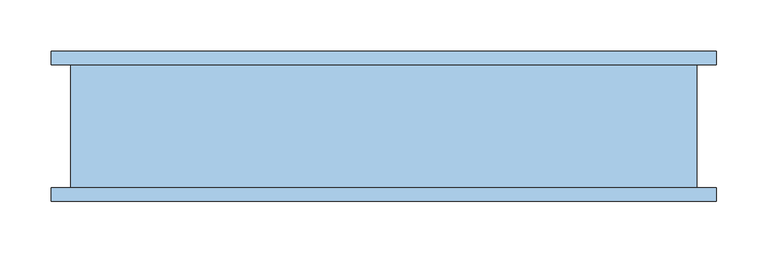
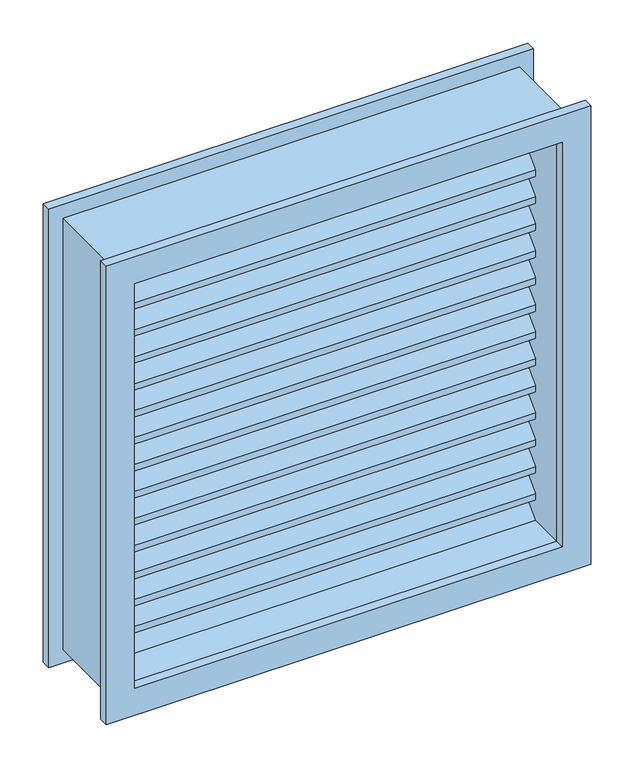
"""IFC4 building model written with IfcOpenShell, lengths in millimetres: window geometry."""

from ifc_helpers import new_model, si_unit, frame, origin, place, context, project, spatial, polyline, outline, extrude, source, transform, mapped, element, save


def window_48816124(model_context):
    return source(origin(), model_context, "Body", "SweptSolid", [
        extrude(outline(polyline([(1543.55, -323.95), (896.05, -323.95), (896.05, 323.95), (1543.55, 323.95), (1543.55, -323.95)]), holes=[polyline([(1505.55, -285.95), (1505.55, 285.95), (934.05, 285.95), (934.05, -285.95), (1505.55, -285.95)])]), frame((0.0, 53.65, 0.0), z_axis=(0.0, 1.0, 0.0), x_axis=(0.0, 0.0, 1.0)), (0.0, 0.0, 1.0), 13.0),
        extrude(outline(polyline([(1543.55, 323.95), (1543.55, -323.95), (896.05, -323.95), (896.05, 323.95), (1543.55, 323.95)]), holes=[polyline([(1505.55, 285.95), (934.05, 285.95), (934.05, -285.95), (1505.55, -285.95), (1505.55, 285.95)])]), frame((0.0, -79.35, 0.0), z_axis=(0.0, 1.0, 0.0), x_axis=(0.0, 0.0, 1.0)), (0.0, 0.0, 1.0), 13.0),
        extrude(outline(polyline([(1524.6, 305.0), (1524.6, -305.0), (915.0, -305.0), (915.0, 305.0), (1524.6, 305.0)]), holes=[polyline([(1505.55, 285.95), (934.05, 285.95), (934.05, -285.95), (1505.55, -285.95), (1505.55, 285.95)])]), frame((0.0, -66.35, 0.0), z_axis=(0.0, 1.0, 0.0), x_axis=(0.0, 0.0, 1.0)), (0.0, 0.0, 1.0), 120.0),
        extrude(outline(polyline([(17.7289755, 969.9710245), (53.65, 934.05), (44.6697439, 934.05), (17.7289755, 960.9907684), (-9.2117928, 934.05), (-18.192049, 934.05), (17.7289755, 969.9710245)])), frame((-285.95, 0.0, 0.0), z_axis=(1.0, 0.0, 0.0), x_axis=(0.0, 1.0, 0.0)), (0.0, 0.0, 1.0), 571.9),
        extrude(outline(polyline([(17.7289755, 1008.0710245), (53.65, 972.15), (53.65, 963.1697439), (17.7289755, 999.0907684), (-18.192049, 963.1697439), (-18.192049, 972.15), (17.7289755, 1008.0710245)])), frame((-285.95, 0.0, 0.0), z_axis=(1.0, 0.0, 0.0), x_axis=(0.0, 1.0, 0.0)), (0.0, 0.0, 1.0), 571.9),
        extrude(outline(polyline([(17.7289755, 1046.1710245), (53.65, 1010.25), (53.65, 1001.2697439), (17.7289755, 1037.1907684), (-18.192049, 1001.2697439), (-18.192049, 1010.25), (17.7289755, 1046.1710245)])), frame((-285.95, 0.0, 0.0), z_axis=(1.0, 0.0, 0.0), x_axis=(0.0, 1.0, 0.0)), (0.0, 0.0, 1.0), 571.9),
        extrude(outline(polyline([(17.7289755, 1084.2710245), (53.65, 1048.35), (53.65, 1039.3697439), (17.7289755, 1075.2907684), (-18.192049, 1039.3697439), (-18.192049, 1048.35), (17.7289755, 1084.2710245)])), frame((-285.95, 0.0, 0.0), z_axis=(1.0, 0.0, 0.0), x_axis=(0.0, 1.0, 0.0)), (0.0, 0.0, 1.0), 571.9),
        extrude(outline(polyline([(17.7289755, 1122.3710245), (53.65, 1086.45), (53.65, 1077.4697439), (17.7289755, 1113.3907684), (-18.192049, 1077.4697439), (-18.192049, 1086.45), (17.7289755, 1122.3710245)])), frame((-285.95, 0.0, 0.0), z_axis=(1.0, 0.0, 0.0), x_axis=(0.0, 1.0, 0.0)), (0.0, 0.0, 1.0), 571.9),
        extrude(outline(polyline([(17.7289755, 1160.4710245), (53.65, 1124.55), (53.65, 1115.5697439), (17.7289755, 1151.4907684), (-18.192049, 1115.5697439), (-18.192049, 1124.55), (17.7289755, 1160.4710245)])), frame((-285.95, 0.0, 0.0), z_axis=(1.0, 0.0, 0.0), x_axis=(0.0, 1.0, 0.0)), (0.0, 0.0, 1.0), 571.9),
        extrude(outline(polyline([(17.7289755, 1198.5710245), (53.65, 1162.65), (53.65, 1153.6697439), (17.7289755, 1189.5907684), (-18.192049, 1153.6697439), (-18.192049, 1162.65), (17.7289755, 1198.5710245)])), frame((-285.95, 0.0, 0.0), z_axis=(1.0, 0.0, 0.0), x_axis=(0.0, 1.0, 0.0)), (0.0, 0.0, 1.0), 571.9),
        extrude(outline(polyline([(17.7289755, 1236.6710245), (53.65, 1200.75), (53.65, 1191.7697439), (17.7289755, 1227.6907684), (-18.192049, 1191.7697439), (-18.192049, 1200.75), (17.7289755, 1236.6710245)])), frame((-285.95, 0.0, 0.0), z_axis=(1.0, 0.0, 0.0), x_axis=(0.0, 1.0, 0.0)), (0.0, 0.0, 1.0), 571.9),
        extrude(outline(polyline([(17.7289755, 1274.7710245), (53.65, 1238.85), (53.65, 1229.8697439), (17.7289755, 1265.7907684), (-18.192049, 1229.8697439), (-18.192049, 1238.85), (17.7289755, 1274.7710245)])), frame((-285.95, 0.0, 0.0), z_axis=(1.0, 0.0, 0.0), x_axis=(0.0, 1.0, 0.0)), (0.0, 0.0, 1.0), 571.9),
        extrude(outline(polyline([(17.7289755, 1312.8710245), (53.65, 1276.95), (53.65, 1267.9697439), (17.7289755, 1303.8907684), (-18.192049, 1267.9697439), (-18.192049, 1276.95), (17.7289755, 1312.8710245)])), frame((-285.95, 0.0, 0.0), z_axis=(1.0, 0.0, 0.0), x_axis=(0.0, 1.0, 0.0)), (0.0, 0.0, 1.0), 571.9),
        extrude(outline(polyline([(17.7289755, 1350.9710245), (53.65, 1315.05), (53.65, 1306.0697439), (17.7289755, 1341.9907684), (-18.192049, 1306.0697439), (-18.192049, 1315.05), (17.7289755, 1350.9710245)])), frame((-285.95, 0.0, 0.0), z_axis=(1.0, 0.0, 0.0), x_axis=(0.0, 1.0, 0.0)), (0.0, 0.0, 1.0), 571.9),
        extrude(outline(polyline([(17.7289755, 1389.0710245), (53.65, 1353.15), (53.65, 1344.1697439), (17.7289755, 1380.0907684), (-18.192049, 1344.1697439), (-18.192049, 1353.15), (17.7289755, 1389.0710245)])), frame((-285.95, 0.0, 0.0), z_axis=(1.0, 0.0, 0.0), x_axis=(0.0, 1.0, 0.0)), (0.0, 0.0, 1.0), 571.9),
        extrude(outline(polyline([(17.7289755, 1427.1710245), (53.65, 1391.25), (53.65, 1382.2697439), (17.7289755, 1418.1907684), (-18.192049, 1382.2697439), (-18.192049, 1391.25), (17.7289755, 1427.1710245)])), frame((-285.95, 0.0, 0.0), z_axis=(1.0, 0.0, 0.0), x_axis=(0.0, 1.0, 0.0)), (0.0, 0.0, 1.0), 571.9),
        extrude(outline(polyline([(17.7289755, 1465.1710245), (53.65, 1429.35), (53.65, 1420.3697439), (17.7289755, 1456.2907684), (-18.192049, 1420.3697439), (-18.192049, 1429.35), (17.7289755, 1465.1710245)])), frame((-285.95, 0.0, 0.0), z_axis=(1.0, 0.0, 0.0), x_axis=(0.0, 1.0, 0.0)), (0.0, 0.0, 1.0), 571.9),
        extrude(outline(polyline([(17.7289755, 1503.2710245), (53.65, 1467.35), (53.65, 1458.3697439), (17.7289755, 1494.2907684), (-18.192049, 1458.3697439), (-18.192049, 1467.35), (17.7289755, 1503.2710245)])), frame((-285.95, 0.0, 0.0), z_axis=(1.0, 0.0, 0.0), x_axis=(0.0, 1.0, 0.0)), (0.0, 0.0, 1.0), 571.9),
    ])


if __name__ == "__main__":
    model = new_model("IFC4")
    model_context = context("Model", 3, world=origin())
    ifc_project = project(units=[si_unit("LENGTHUNIT", "METRE", prefix="MILLI")], contexts=[model_context])
    site = spatial("IfcSite", under=ifc_project)
    building = spatial("IfcBuilding", under=site)
    placement = place(None, origin())
    window_shape = window_48816124(model_context)
    element("IfcWindow", 1, at=placement, inside=building, context=model_context, shape_type="MappedRepresentation", body=[
        mapped(window_shape, transform((0.0, 0.0, 0.0), x_axis=(1.0, 0.0, 0.0), y_axis=(0.0, 1.0, 0.0), z_axis=(0.0, 0.0, 1.0))),
    ])
    save(model, "model.ifc")
